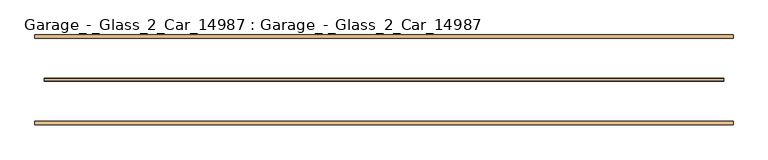
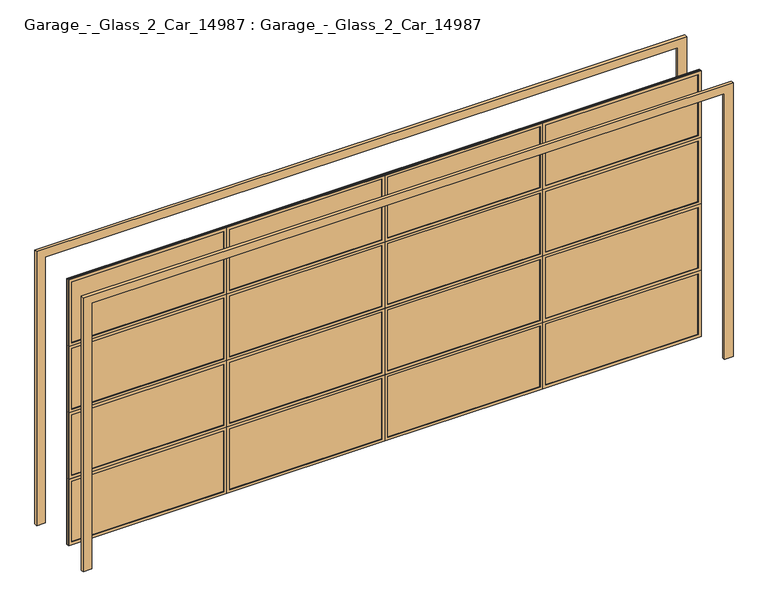
"""IFC4 building model written with IfcOpenShell, lengths in millimetres: door geometry, Garage_-_Glass_2_Car_14987 : Garage_-_Glass_2_Car_14987."""

from ifc_helpers import new_model, si_unit, frame, origin, origin_with_axes, place, context, project, spatial, polyline, outline, extrude, source, transform, mapped, element, save


def garage_glass_2_car_14987_garage_glass_2_car_14987_9f9da210(model_context):
    return source(origin(), model_context, "Body", "SweptSolid", [
        extrude(outline(polyline([(2438.4, -2743.2), (2438.4, 2743.2), (0.0, 2743.2), (0.0, 2819.4), (2514.6, 2819.4), (2514.6, -2819.4), (0.0, -2819.4), (0.0, -2743.2), (2438.4, -2743.2)])), frame((0.0, -361.95, 0.0), z_axis=(0.0, 1.0, 0.0), x_axis=(0.0, 0.0, 1.0)), (0.0, 0.0, 1.0), 25.4),
        extrude(outline(polyline([(2438.4, -2743.2), (2438.4, 2743.2), (0.0, 2743.2), (0.0, 2819.4), (2514.6, 2819.4), (2514.6, -2819.4), (0.0, -2819.4), (0.0, -2743.2), (2438.4, -2743.2)])), frame((0.0, 336.55, 0.0), z_axis=(0.0, 1.0, 0.0), x_axis=(0.0, 0.0, 1.0)), (0.0, 0.0, 1.0), 25.4),
        extrude(outline(polyline([(2743.2, -6.35), (-2743.2, -6.35), (-2743.2, 6.35), (2743.2, 6.35), (2743.2, -6.35)])), origin_with_axes(), (0.0, 0.0, 1.0), 2438.4),
        extrude(outline(polyline([(2438.4, 0.0), (2438.4, -1371.6), (1828.8, -1371.6), (1828.8, 0.0), (2438.4, 0.0)]), holes=[polyline([(2413.0, -25.4), (1854.2, -25.4), (1854.2, -1346.2), (2413.0, -1346.2), (2413.0, -25.4)])]), frame((0.0, -12.7, 0.0), z_axis=(0.0, 1.0, 0.0), x_axis=(0.0, 0.0, 1.0)), (0.0, 0.0, 1.0), 25.4),
        extrude(outline(polyline([(2438.4, 2743.2), (2438.4, 1371.6), (1828.8, 1371.6), (1828.8, 2743.2), (2438.4, 2743.2)]), holes=[polyline([(2413.0, 2717.8), (1854.2, 2717.8), (1854.2, 1397.0), (2413.0, 1397.0), (2413.0, 2717.8)])]), frame((0.0, -12.7, 0.0), z_axis=(0.0, 1.0, 0.0), x_axis=(0.0, 0.0, 1.0)), (0.0, 0.0, 1.0), 25.4),
        extrude(outline(polyline([(1219.2, 0.0), (1219.2, -1371.6), (609.6, -1371.6), (609.6, 0.0), (1219.2, 0.0)]), holes=[polyline([(1193.8, -25.4), (635.0, -25.4), (635.0, -1346.2), (1193.8, -1346.2), (1193.8, -25.4)])]), frame((0.0, -12.7, 0.0), z_axis=(0.0, 1.0, 0.0), x_axis=(0.0, 0.0, 1.0)), (0.0, 0.0, 1.0), 25.4),
        extrude(outline(polyline([(1219.2, 2743.2), (1219.2, 1371.6), (609.6, 1371.6), (609.6, 2743.2), (1219.2, 2743.2)]), holes=[polyline([(1193.8, 2717.8), (635.0, 2717.8), (635.0, 1397.0), (1193.8, 1397.0), (1193.8, 2717.8)])]), frame((0.0, -12.7, 0.0), z_axis=(0.0, 1.0, 0.0), x_axis=(0.0, 0.0, 1.0)), (0.0, 0.0, 1.0), 25.4),
        extrude(outline(polyline([(1219.2, 1371.6), (1219.2, 0.0), (609.6, 0.0), (609.6, 1371.6), (1219.2, 1371.6)]), holes=[polyline([(1193.8, 1346.2), (635.0, 1346.2), (635.0, 25.4), (1193.8, 25.4), (1193.8, 1346.2)])]), frame((0.0, -12.7, 0.0), z_axis=(0.0, 1.0, 0.0), x_axis=(0.0, 0.0, 1.0)), (0.0, 0.0, 1.0), 25.4),
        extrude(outline(polyline([(2438.4, -2743.2), (1828.8, -2743.2), (1828.8, -1371.6), (2438.4, -1371.6), (2438.4, -2743.2)]), holes=[polyline([(2413.0, -1397.0), (1854.2, -1397.0), (1854.2, -2717.8), (2413.0, -2717.8), (2413.0, -1397.0)])]), frame((0.0, -12.7, 0.0), z_axis=(0.0, 1.0, 0.0), x_axis=(0.0, 0.0, 1.0)), (0.0, 0.0, 1.0), 25.4),
        extrude(outline(polyline([(1219.2, -2743.2), (609.6, -2743.2), (609.6, -1371.6), (1219.2, -1371.6), (1219.2, -2743.2)]), holes=[polyline([(1193.8, -2717.8), (1193.8, -1397.0), (635.0, -1397.0), (635.0, -2717.8), (1193.8, -2717.8)])]), frame((0.0, -12.7, 0.0), z_axis=(0.0, 1.0, 0.0), x_axis=(0.0, 0.0, 1.0)), (0.0, 0.0, 1.0), 25.4),
        extrude(outline(polyline([(1828.8, 1371.6), (2438.4, 1371.6), (2438.4, 0.0), (1828.8, 0.0), (1828.8, 1371.6)]), holes=[polyline([(1854.2, 1346.2), (1854.2, 25.4), (2413.0, 25.4), (2413.0, 1346.2), (1854.2, 1346.2)])]), frame((0.0, -12.7, 0.0), z_axis=(0.0, 1.0, 0.0), x_axis=(0.0, 0.0, 1.0)), (0.0, 0.0, 1.0), 25.4),
        extrude(outline(polyline([(0.0, 0.0), (609.6, 0.0), (609.6, -1371.6), (0.0, -1371.6), (0.0, 0.0)]), holes=[polyline([(584.2, -25.4), (25.4, -25.4), (25.4, -1346.2), (584.2, -1346.2), (584.2, -25.4)])]), frame((0.0, -12.7, 0.0), z_axis=(0.0, 1.0, 0.0), x_axis=(0.0, 0.0, 1.0)), (0.0, 0.0, 1.0), 25.4),
        extrude(outline(polyline([(0.0, 2743.2), (609.6, 2743.2), (609.6, 1371.6), (0.0, 1371.6), (0.0, 2743.2)]), holes=[polyline([(584.2, 2717.8), (25.4, 2717.8), (25.4, 1397.0), (584.2, 1397.0), (584.2, 2717.8)])]), frame((0.0, -12.7, 0.0), z_axis=(0.0, 1.0, 0.0), x_axis=(0.0, 0.0, 1.0)), (0.0, 0.0, 1.0), 25.4),
        extrude(outline(polyline([(1828.8, 0.0), (1828.8, -1371.6), (1219.2, -1371.6), (1219.2, 0.0), (1828.8, 0.0)]), holes=[polyline([(1803.4, -25.4), (1244.6, -25.4), (1244.6, -1346.2), (1803.4, -1346.2), (1803.4, -25.4)])]), frame((0.0, -12.7, 0.0), z_axis=(0.0, 1.0, 0.0), x_axis=(0.0, 0.0, 1.0)), (0.0, 0.0, 1.0), 25.4),
        extrude(outline(polyline([(1828.8, 1371.6), (1219.2, 1371.6), (1219.2, 2743.2), (1828.8, 2743.2), (1828.8, 1371.6)]), holes=[polyline([(1803.4, 2717.8), (1244.6, 2717.8), (1244.6, 1397.0), (1803.4, 1397.0), (1803.4, 2717.8)])]), frame((0.0, -12.7, 0.0), z_axis=(0.0, 1.0, 0.0), x_axis=(0.0, 0.0, 1.0)), (0.0, 0.0, 1.0), 25.4),
        extrude(outline(polyline([(609.6, -1371.6), (609.6, -2743.2), (0.0, -2743.2), (0.0, -1371.6), (609.6, -1371.6)]), holes=[polyline([(584.2, -1397.0), (25.4, -1397.0), (25.4, -2717.8), (584.2, -2717.8), (584.2, -1397.0)])]), frame((0.0, -12.7, 0.0), z_axis=(0.0, 1.0, 0.0), x_axis=(0.0, 0.0, 1.0)), (0.0, 0.0, 1.0), 25.4),
        extrude(outline(polyline([(609.6, 1371.6), (609.6, 0.0), (0.0, 0.0), (0.0, 1371.6), (609.6, 1371.6)]), holes=[polyline([(584.2, 1346.2), (25.4, 1346.2), (25.4, 25.4), (584.2, 25.4), (584.2, 1346.2)])]), frame((0.0, -12.7, 0.0), z_axis=(0.0, 1.0, 0.0), x_axis=(0.0, 0.0, 1.0)), (0.0, 0.0, 1.0), 25.4),
        extrude(outline(polyline([(1828.8, -1371.6), (1828.8, -2743.2), (1219.2, -2743.2), (1219.2, -1371.6), (1828.8, -1371.6)]), holes=[polyline([(1803.4, -1397.0), (1244.6, -1397.0), (1244.6, -2717.8), (1803.4, -2717.8), (1803.4, -1397.0)])]), frame((0.0, -12.7, 0.0), z_axis=(0.0, 1.0, 0.0), x_axis=(0.0, 0.0, 1.0)), (0.0, 0.0, 1.0), 25.4),
        extrude(outline(polyline([(1828.8, 1371.6), (1828.8, 0.0), (1219.2, 0.0), (1219.2, 1371.6), (1828.8, 1371.6)]), holes=[polyline([(1803.4, 1346.2), (1244.6, 1346.2), (1244.6, 25.4), (1803.4, 25.4), (1803.4, 1346.2)])]), frame((0.0, -12.7, 0.0), z_axis=(0.0, 1.0, 0.0), x_axis=(0.0, 0.0, 1.0)), (0.0, 0.0, 1.0), 25.4),
    ])


if __name__ == "__main__":
    model = new_model("IFC4")
    model_context = context("Model", 3, world=origin())
    ifc_project = project(units=[si_unit("LENGTHUNIT", "METRE", prefix="MILLI")], contexts=[model_context])
    site = spatial("IfcSite", under=ifc_project)
    building = spatial("IfcBuilding", under=site)
    placement = place(None, origin())
    garage_glass_2_car_14987_garage_glass_2_car_14987_shape = garage_glass_2_car_14987_garage_glass_2_car_14987_9f9da210(model_context)
    element("IfcDoor", 1, ObjectType="Garage_-_Glass_2_Car_14987 : Garage_-_Glass_2_Car_14987", at=placement, inside=building, context=model_context, shape_type="MappedRepresentation", body=[
        mapped(garage_glass_2_car_14987_garage_glass_2_car_14987_shape, transform((0.0, 0.0, 0.0), x_axis=(1.0, 0.0, 0.0), y_axis=(0.0, 1.0, 0.0), z_axis=(0.0, 0.0, 1.0))),
    ])
    save(model, "model.ifc")
